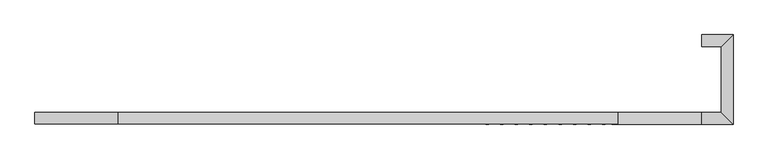
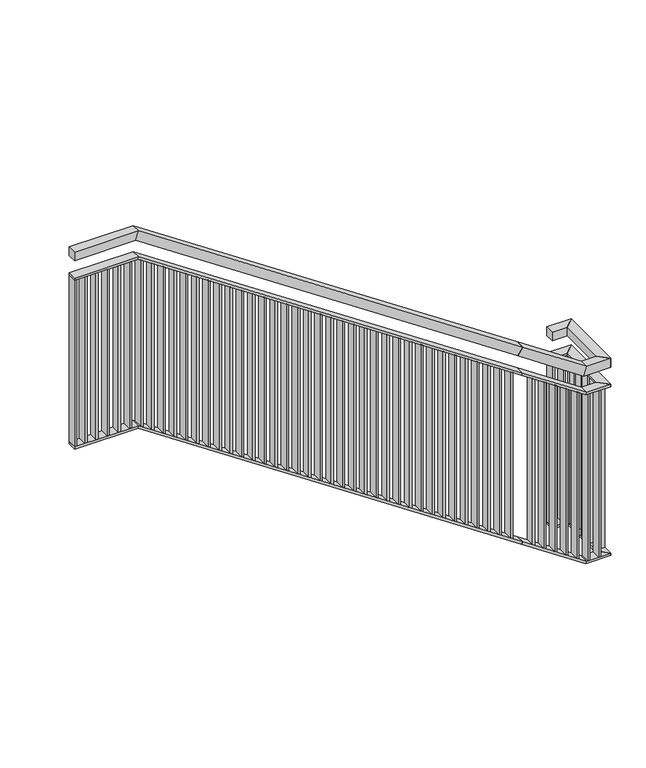
"""IFC4 building model written with IfcOpenShell, lengths in millimetres: railing geometry."""

from ifc_helpers import new_model, si_unit, frame, origin, place, context, project, spatial, polyline, outline, extrude, faceted_brep, source, transform, mapped, element, save


def railing_0f38c11d(model_context):
    return source(origin(), model_context, "Body", "SolidModel", [
        faceted_brep([(-837.5711368, -55941.2878855, 2687.5), (-837.5711368, -55901.2878855, 2687.5), (-837.5711368, -55901.2878855, 2647.5), (-837.5711368, -55941.2878855, 2647.5), (-772.1711368, -55941.2878855, 2687.5), (-772.1711368, -55941.2878855, 2647.5), (-732.1711368, -55901.2878855, 2647.5), (-732.1711368, -55901.2878855, 2687.5)], [[[0, 1, 2, 3]], [[4, 5, 6, 7]], [[1, 0, 4, 7]], [[2, 1, 7, 6]], [[3, 2, 6, 5]], [[0, 3, 5, 4]]]),
        faceted_brep([(-772.1711368, -55941.2878855, 2687.5), (-732.1711368, -55901.2878855, 2687.5), (-732.1711368, -55901.2878855, 2647.5), (-772.1711368, -55941.2878855, 2647.5), (-772.1711368, -56162.0878855, 2687.5), (-772.1711368, -56162.0878855, 2647.5), (-732.1711368, -56202.0878855, 2647.5), (-732.1711368, -56202.0878855, 2687.5)], [[[0, 1, 2, 3]], [[4, 5, 6, 7]], [[1, 0, 4, 7]], [[2, 1, 7, 6]], [[3, 2, 6, 5]], [[0, 3, 5, 4]]]),
        faceted_brep([(-772.1711368, -56162.0878855, 2687.5), (-732.1711368, -56202.0878855, 2687.5), (-732.1711368, -56202.0878855, 2647.5), (-772.1711368, -56162.0878855, 2647.5), (-837.5711368, -56162.0878855, 2687.5), (-837.5711368, -56202.0878855, 2687.5), (-849.727101, -56202.0878855, 2647.5), (-849.727101, -56162.0878855, 2647.5), (-1117.5711368, -56162.0878855, 2875.0), (-1139.827579, -56162.0878855, 2841.7637129), (-1139.827579, -56202.0878855, 2841.7637129), (-1117.5711368, -56202.0878855, 2875.0)], [[[0, 1, 2, 3]], [[1, 0, 4, 5]], [[2, 1, 5, 6]], [[3, 2, 6, 7]], [[0, 3, 7, 4]], [[8, 9, 10, 11]], [[5, 4, 8, 11]], [[6, 5, 11, 10]], [[7, 6, 10, 9]], [[4, 7, 9, 8]]]),
        faceted_brep([(-1117.5711368, -56162.0878855, 2875.0), (-1117.5711368, -56202.0878855, 2875.0), (-1139.827579, -56202.0878855, 2841.7637129), (-1139.827579, -56162.0878855, 2841.7637129), (-2797.5711368, -56162.0878855, 4000.0), (-2797.5711368, -56202.0878855, 4000.0), (-2809.727101, -56202.0878855, 3960.0), (-2809.727101, -56162.0878855, 3960.0), (-3077.5711368, -56162.0878855, 4000.0), (-3077.5711368, -56162.0878855, 3960.0), (-3077.5711368, -56202.0878855, 3960.0), (-3077.5711368, -56202.0878855, 4000.0)], [[[0, 1, 2, 3]], [[1, 0, 4, 5]], [[2, 1, 5, 6]], [[3, 2, 6, 7]], [[0, 3, 7, 4]], [[8, 9, 10, 11]], [[5, 4, 8, 11]], [[6, 5, 11, 10]], [[7, 6, 10, 9]], [[4, 7, 9, 8]]]),
        faceted_brep([(-837.5711368, -55941.2878855, 2567.5), (-837.5711368, -55901.2878855, 2567.5), (-837.5711368, -55901.2878855, 2557.5), (-837.5711368, -55941.2878855, 2557.5), (-772.1711368, -55941.2878855, 2567.5), (-772.1711368, -55941.2878855, 2557.5), (-732.1711368, -55901.2878855, 2557.5), (-732.1711368, -55901.2878855, 2567.5)], [[[0, 1, 2, 3]], [[4, 5, 6, 7]], [[1, 0, 4, 7]], [[2, 1, 7, 6]], [[3, 2, 6, 5]], [[0, 3, 5, 4]]]),
        faceted_brep([(-772.1711368, -55941.2878855, 2567.5), (-732.1711368, -55901.2878855, 2567.5), (-732.1711368, -55901.2878855, 2557.5), (-772.1711368, -55941.2878855, 2557.5), (-772.1711368, -56162.0878855, 2567.5), (-772.1711368, -56162.0878855, 2557.5), (-732.1711368, -56202.0878855, 2557.5), (-732.1711368, -56202.0878855, 2567.5)], [[[0, 1, 2, 3]], [[4, 5, 6, 7]], [[1, 0, 4, 7]], [[2, 1, 7, 6]], [[3, 2, 6, 5]], [[0, 3, 5, 4]]]),
        faceted_brep([(-772.1711368, -56162.0878855, 2567.5), (-732.1711368, -56202.0878855, 2567.5), (-732.1711368, -56202.0878855, 2557.5), (-772.1711368, -56162.0878855, 2557.5), (-837.5711368, -56162.0878855, 2567.5), (-837.5711368, -56202.0878855, 2567.5), (-840.6101278, -56202.0878855, 2557.5), (-840.6101278, -56162.0878855, 2557.5), (-1117.5711368, -56162.0878855, 2755.0), (-1123.1352473, -56162.0878855, 2746.6909282), (-1123.1352473, -56202.0878855, 2746.6909282), (-1117.5711368, -56202.0878855, 2755.0)], [[[0, 1, 2, 3]], [[1, 0, 4, 5]], [[2, 1, 5, 6]], [[3, 2, 6, 7]], [[0, 3, 7, 4]], [[8, 9, 10, 11]], [[5, 4, 8, 11]], [[6, 5, 11, 10]], [[7, 6, 10, 9]], [[4, 7, 9, 8]]]),
        faceted_brep([(-1117.5711368, -56162.0878855, 2755.0), (-1117.5711368, -56202.0878855, 2755.0), (-1123.1352473, -56202.0878855, 2746.6909282), (-1123.1352473, -56162.0878855, 2746.6909282), (-2797.5711368, -56162.0878855, 3880.0), (-2797.5711368, -56202.0878855, 3880.0), (-2800.6101278, -56202.0878855, 3870.0), (-2800.6101278, -56162.0878855, 3870.0), (-3077.5711368, -56162.0878855, 3880.0), (-3077.5711368, -56162.0878855, 3870.0), (-3077.5711368, -56202.0878855, 3870.0), (-3077.5711368, -56202.0878855, 3880.0)], [[[0, 1, 2, 3]], [[1, 0, 4, 5]], [[2, 1, 5, 6]], [[3, 2, 6, 7]], [[0, 3, 7, 4]], [[8, 9, 10, 11]], [[5, 4, 8, 11]], [[6, 5, 11, 10]], [[7, 6, 10, 9]], [[4, 7, 9, 8]]]),
        faceted_brep([(-837.5711368, -55941.2878855, 1787.5), (-837.5711368, -55901.2878855, 1787.5), (-837.5711368, -55901.2878855, 1777.5), (-837.5711368, -55941.2878855, 1777.5), (-772.1711368, -55941.2878855, 1787.5), (-772.1711368, -55941.2878855, 1777.5), (-732.1711368, -55901.2878855, 1777.5), (-732.1711368, -55901.2878855, 1787.5)], [[[0, 1, 2, 3]], [[4, 5, 6, 7]], [[1, 0, 4, 7]], [[2, 1, 7, 6]], [[3, 2, 6, 5]], [[0, 3, 5, 4]]]),
        faceted_brep([(-772.1711368, -55941.2878855, 1787.5), (-732.1711368, -55901.2878855, 1787.5), (-732.1711368, -55901.2878855, 1777.5), (-772.1711368, -55941.2878855, 1777.5), (-772.1711368, -56162.0878855, 1787.5), (-772.1711368, -56162.0878855, 1777.5), (-732.1711368, -56202.0878855, 1777.5), (-732.1711368, -56202.0878855, 1787.5)], [[[0, 1, 2, 3]], [[4, 5, 6, 7]], [[1, 0, 4, 7]], [[2, 1, 7, 6]], [[3, 2, 6, 5]], [[0, 3, 5, 4]]]),
        faceted_brep([(-772.1711368, -56162.0878855, 1787.5), (-732.1711368, -56202.0878855, 1787.5), (-732.1711368, -56202.0878855, 1777.5), (-772.1711368, -56162.0878855, 1777.5), (-837.5711368, -56162.0878855, 1787.5), (-837.5711368, -56202.0878855, 1787.5), (-840.6101278, -56202.0878855, 1777.5), (-840.6101278, -56162.0878855, 1777.5), (-1117.5711368, -56162.0878855, 1975.0), (-1123.1352473, -56162.0878855, 1966.6909282), (-1123.1352473, -56202.0878855, 1966.6909282), (-1117.5711368, -56202.0878855, 1975.0)], [[[0, 1, 2, 3]], [[1, 0, 4, 5]], [[2, 1, 5, 6]], [[3, 2, 6, 7]], [[0, 3, 7, 4]], [[8, 9, 10, 11]], [[5, 4, 8, 11]], [[6, 5, 11, 10]], [[7, 6, 10, 9]], [[4, 7, 9, 8]]]),
        faceted_brep([(-1117.5711368, -56162.0878855, 1975.0), (-1117.5711368, -56202.0878855, 1975.0), (-1123.1352473, -56202.0878855, 1966.6909282), (-1123.1352473, -56162.0878855, 1966.6909282), (-2797.5711368, -56162.0878855, 3100.0), (-2797.5711368, -56202.0878855, 3100.0), (-2800.6101278, -56202.0878855, 3090.0), (-2800.6101278, -56162.0878855, 3090.0), (-3077.5711368, -56162.0878855, 3100.0), (-3077.5711368, -56162.0878855, 3090.0), (-3077.5711368, -56202.0878855, 3090.0), (-3077.5711368, -56202.0878855, 3100.0)], [[[0, 1, 2, 3]], [[1, 0, 4, 5]], [[2, 1, 5, 6]], [[3, 2, 6, 7]], [[0, 3, 7, 4]], [[8, 9, 10, 11]], [[5, 4, 8, 11]], [[6, 5, 11, 10]], [[7, 6, 10, 9]], [[4, 7, 9, 8]]]),
        extrude(outline(polyline([(-3023.5711368, -56162.0878855), (-3023.5711368, -56202.0878855), (-3033.5711368, -56202.0878855), (-3033.5711368, -56162.0878855), (-3023.5711368, -56162.0878855)])), frame((0.0, 0.0, 3100.0), z_axis=(0.0, 0.0, 1.0), x_axis=(1.0, 0.0, 0.0)), (0.0, 0.0, 1.0), 770.0),
        extrude(outline(polyline([(-2974.5711368, -56162.0878855), (-2974.5711368, -56202.0878855), (-2984.5711368, -56202.0878855), (-2984.5711368, -56162.0878855), (-2974.5711368, -56162.0878855)])), frame((0.0, 0.0, 3100.0), z_axis=(0.0, 0.0, 1.0), x_axis=(1.0, 0.0, 0.0)), (0.0, 0.0, 1.0), 770.0),
        extrude(outline(polyline([(-2925.5711368, -56162.0878855), (-2925.5711368, -56202.0878855), (-2935.5711368, -56202.0878855), (-2935.5711368, -56162.0878855), (-2925.5711368, -56162.0878855)])), frame((0.0, 0.0, 3100.0), z_axis=(0.0, 0.0, 1.0), x_axis=(1.0, 0.0, 0.0)), (0.0, 0.0, 1.0), 770.0),
        extrude(outline(polyline([(-2876.5711368, -56162.0878855), (-2876.5711368, -56202.0878855), (-2886.5711368, -56202.0878855), (-2886.5711368, -56162.0878855), (-2876.5711368, -56162.0878855)])), frame((0.0, 0.0, 3100.0), z_axis=(0.0, 0.0, 1.0), x_axis=(1.0, 0.0, 0.0)), (0.0, 0.0, 1.0), 770.0),
        extrude(outline(polyline([(-2827.5711368, -56162.0878855), (-2827.5711368, -56202.0878855), (-2837.5711368, -56202.0878855), (-2837.5711368, -56162.0878855), (-2827.5711368, -56162.0878855)])), frame((0.0, 0.0, 3100.0), z_axis=(0.0, 0.0, 1.0), x_axis=(1.0, 0.0, 0.0)), (0.0, 0.0, 1.0), 770.0),
        extrude(outline(polyline([(3087.2767857, -2778.5711368), (3857.2767857, -2778.5711368), (3863.9732143, -2788.5711368), (3093.9732143, -2788.5711368), (3087.2767857, -2778.5711368)])), frame((0.0, -56202.0878855, 0.0), z_axis=(0.0, 1.0, 0.0), x_axis=(0.0, 0.0, 1.0)), (0.0, 0.0, 1.0), 40.0),
        extrude(outline(polyline([(3054.4642857, -2729.5711368), (3824.4642857, -2729.5711368), (3831.1607143, -2739.5711368), (3061.1607143, -2739.5711368), (3054.4642857, -2729.5711368)])), frame((0.0, -56202.0878855, 0.0), z_axis=(0.0, 1.0, 0.0), x_axis=(0.0, 0.0, 1.0)), (0.0, 0.0, 1.0), 40.0),
        extrude(outline(polyline([(3021.6517857, -2680.5711368), (3791.6517857, -2680.5711368), (3798.3482143, -2690.5711368), (3028.3482143, -2690.5711368), (3021.6517857, -2680.5711368)])), frame((0.0, -56202.0878855, 0.0), z_axis=(0.0, 1.0, 0.0), x_axis=(0.0, 0.0, 1.0)), (0.0, 0.0, 1.0), 40.0),
        extrude(outline(polyline([(2988.8392857, -2631.5711368), (3758.8392857, -2631.5711368), (3765.5357143, -2641.5711368), (2995.5357143, -2641.5711368), (2988.8392857, -2631.5711368)])), frame((0.0, -56202.0878855, 0.0), z_axis=(0.0, 1.0, 0.0), x_axis=(0.0, 0.0, 1.0)), (0.0, 0.0, 1.0), 40.0),
        extrude(outline(polyline([(2956.0267857, -2582.5711368), (3726.0267857, -2582.5711368), (3732.7232143, -2592.5711368), (2962.7232143, -2592.5711368), (2956.0267857, -2582.5711368)])), frame((0.0, -56202.0878855, 0.0), z_axis=(0.0, 1.0, 0.0), x_axis=(0.0, 0.0, 1.0)), (0.0, 0.0, 1.0), 40.0),
        extrude(outline(polyline([(2923.2142857, -2533.5711368), (3693.2142857, -2533.5711368), (3699.9107143, -2543.5711368), (2929.9107143, -2543.5711368), (2923.2142857, -2533.5711368)])), frame((0.0, -56202.0878855, 0.0), z_axis=(0.0, 1.0, 0.0), x_axis=(0.0, 0.0, 1.0)), (0.0, 0.0, 1.0), 40.0),
        extrude(outline(polyline([(2890.4017857, -2484.5711368), (3660.4017857, -2484.5711368), (3667.0982143, -2494.5711368), (2897.0982143, -2494.5711368), (2890.4017857, -2484.5711368)])), frame((0.0, -56202.0878855, 0.0), z_axis=(0.0, 1.0, 0.0), x_axis=(0.0, 0.0, 1.0)), (0.0, 0.0, 1.0), 40.0),
        extrude(outline(polyline([(2857.5892857, -2435.5711368), (3627.5892857, -2435.5711368), (3634.2857143, -2445.5711368), (2864.2857143, -2445.5711368), (2857.5892857, -2435.5711368)])), frame((0.0, -56202.0878855, 0.0), z_axis=(0.0, 1.0, 0.0), x_axis=(0.0, 0.0, 1.0)), (0.0, 0.0, 1.0), 40.0),
        extrude(outline(polyline([(2824.7767857, -2386.5711368), (3594.7767857, -2386.5711368), (3601.4732143, -2396.5711368), (2831.4732143, -2396.5711368), (2824.7767857, -2386.5711368)])), frame((0.0, -56202.0878855, 0.0), z_axis=(0.0, 1.0, 0.0), x_axis=(0.0, 0.0, 1.0)), (0.0, 0.0, 1.0), 40.0),
        extrude(outline(polyline([(2791.9642857, -2337.5711368), (3561.9642857, -2337.5711368), (3568.6607143, -2347.5711368), (2798.6607143, -2347.5711368), (2791.9642857, -2337.5711368)])), frame((0.0, -56202.0878855, 0.0), z_axis=(0.0, 1.0, 0.0), x_axis=(0.0, 0.0, 1.0)), (0.0, 0.0, 1.0), 40.0),
        extrude(outline(polyline([(2759.1517857, -2288.5711368), (3529.1517857, -2288.5711368), (3535.8482143, -2298.5711368), (2765.8482143, -2298.5711368), (2759.1517857, -2288.5711368)])), frame((0.0, -56202.0878855, 0.0), z_axis=(0.0, 1.0, 0.0), x_axis=(0.0, 0.0, 1.0)), (0.0, 0.0, 1.0), 40.0),
        extrude(outline(polyline([(2726.3392857, -2239.5711368), (3496.3392857, -2239.5711368), (3503.0357143, -2249.5711368), (2733.0357143, -2249.5711368), (2726.3392857, -2239.5711368)])), frame((0.0, -56202.0878855, 0.0), z_axis=(0.0, 1.0, 0.0), x_axis=(0.0, 0.0, 1.0)), (0.0, 0.0, 1.0), 40.0),
        extrude(outline(polyline([(2693.5267857, -2190.5711368), (3463.5267857, -2190.5711368), (3470.2232143, -2200.5711368), (2700.2232143, -2200.5711368), (2693.5267857, -2190.5711368)])), frame((0.0, -56202.0878855, 0.0), z_axis=(0.0, 1.0, 0.0), x_axis=(0.0, 0.0, 1.0)), (0.0, 0.0, 1.0), 40.0),
        extrude(outline(polyline([(2660.7142857, -2141.5711368), (3430.7142857, -2141.5711368), (3437.4107143, -2151.5711368), (2667.4107143, -2151.5711368), (2660.7142857, -2141.5711368)])), frame((0.0, -56202.0878855, 0.0), z_axis=(0.0, 1.0, 0.0), x_axis=(0.0, 0.0, 1.0)), (0.0, 0.0, 1.0), 40.0),
        extrude(outline(polyline([(2627.9017857, -2092.5711368), (3397.9017857, -2092.5711368), (3404.5982143, -2102.5711368), (2634.5982143, -2102.5711368), (2627.9017857, -2092.5711368)])), frame((0.0, -56202.0878855, 0.0), z_axis=(0.0, 1.0, 0.0), x_axis=(0.0, 0.0, 1.0)), (0.0, 0.0, 1.0), 40.0),
        extrude(outline(polyline([(2595.0892857, -2043.5711368), (3365.0892857, -2043.5711368), (3371.7857143, -2053.5711368), (2601.7857143, -2053.5711368), (2595.0892857, -2043.5711368)])), frame((0.0, -56202.0878855, 0.0), z_axis=(0.0, 1.0, 0.0), x_axis=(0.0, 0.0, 1.0)), (0.0, 0.0, 1.0), 40.0),
        extrude(outline(polyline([(2562.2767857, -1994.5711368), (3332.2767857, -1994.5711368), (3338.9732143, -2004.5711368), (2568.9732143, -2004.5711368), (2562.2767857, -1994.5711368)])), frame((0.0, -56202.0878855, 0.0), z_axis=(0.0, 1.0, 0.0), x_axis=(0.0, 0.0, 1.0)), (0.0, 0.0, 1.0), 40.0),
        extrude(outline(polyline([(2529.4642857, -1945.5711368), (3299.4642857, -1945.5711368), (3306.1607143, -1955.5711368), (2536.1607143, -1955.5711368), (2529.4642857, -1945.5711368)])), frame((0.0, -56202.0878855, 0.0), z_axis=(0.0, 1.0, 0.0), x_axis=(0.0, 0.0, 1.0)), (0.0, 0.0, 1.0), 40.0),
        extrude(outline(polyline([(2496.6517857, -1896.5711368), (3266.6517857, -1896.5711368), (3273.3482143, -1906.5711368), (2503.3482143, -1906.5711368), (2496.6517857, -1896.5711368)])), frame((0.0, -56202.0878855, 0.0), z_axis=(0.0, 1.0, 0.0), x_axis=(0.0, 0.0, 1.0)), (0.0, 0.0, 1.0), 40.0),
        extrude(outline(polyline([(2463.8392857, -1847.5711368), (3233.8392857, -1847.5711368), (3240.5357143, -1857.5711368), (2470.5357143, -1857.5711368), (2463.8392857, -1847.5711368)])), frame((0.0, -56202.0878855, 0.0), z_axis=(0.0, 1.0, 0.0), x_axis=(0.0, 0.0, 1.0)), (0.0, 0.0, 1.0), 40.0),
        extrude(outline(polyline([(2431.0267857, -1798.5711368), (3201.0267857, -1798.5711368), (3207.7232143, -1808.5711368), (2437.7232143, -1808.5711368), (2431.0267857, -1798.5711368)])), frame((0.0, -56202.0878855, 0.0), z_axis=(0.0, 1.0, 0.0), x_axis=(0.0, 0.0, 1.0)), (0.0, 0.0, 1.0), 40.0),
        extrude(outline(polyline([(2398.2142857, -1749.5711368), (3168.2142857, -1749.5711368), (3174.9107143, -1759.5711368), (2404.9107143, -1759.5711368), (2398.2142857, -1749.5711368)])), frame((0.0, -56202.0878855, 0.0), z_axis=(0.0, 1.0, 0.0), x_axis=(0.0, 0.0, 1.0)), (0.0, 0.0, 1.0), 40.0),
        extrude(outline(polyline([(2365.4017857, -1700.5711368), (3135.4017857, -1700.5711368), (3142.0982143, -1710.5711368), (2372.0982143, -1710.5711368), (2365.4017857, -1700.5711368)])), frame((0.0, -56202.0878855, 0.0), z_axis=(0.0, 1.0, 0.0), x_axis=(0.0, 0.0, 1.0)), (0.0, 0.0, 1.0), 40.0),
        extrude(outline(polyline([(2332.5892857, -1651.5711368), (3102.5892857, -1651.5711368), (3109.2857143, -1661.5711368), (2339.2857143, -1661.5711368), (2332.5892857, -1651.5711368)])), frame((0.0, -56202.0878855, 0.0), z_axis=(0.0, 1.0, 0.0), x_axis=(0.0, 0.0, 1.0)), (0.0, 0.0, 1.0), 40.0),
        extrude(outline(polyline([(2299.7767857, -1602.5711368), (3069.7767857, -1602.5711368), (3076.4732143, -1612.5711368), (2306.4732143, -1612.5711368), (2299.7767857, -1602.5711368)])), frame((0.0, -56202.0878855, 0.0), z_axis=(0.0, 1.0, 0.0), x_axis=(0.0, 0.0, 1.0)), (0.0, 0.0, 1.0), 40.0),
        extrude(outline(polyline([(2266.9642857, -1553.5711368), (3036.9642857, -1553.5711368), (3043.6607143, -1563.5711368), (2273.6607143, -1563.5711368), (2266.9642857, -1553.5711368)])), frame((0.0, -56202.0878855, 0.0), z_axis=(0.0, 1.0, 0.0), x_axis=(0.0, 0.0, 1.0)), (0.0, 0.0, 1.0), 40.0),
        extrude(outline(polyline([(2234.1517857, -1504.5711368), (3004.1517857, -1504.5711368), (3010.8482143, -1514.5711368), (2240.8482143, -1514.5711368), (2234.1517857, -1504.5711368)])), frame((0.0, -56202.0878855, 0.0), z_axis=(0.0, 1.0, 0.0), x_axis=(0.0, 0.0, 1.0)), (0.0, 0.0, 1.0), 40.0),
        extrude(outline(polyline([(2201.3392857, -1455.5711368), (2971.3392857, -1455.5711368), (2978.0357143, -1465.5711368), (2208.0357143, -1465.5711368), (2201.3392857, -1455.5711368)])), frame((0.0, -56202.0878855, 0.0), z_axis=(0.0, 1.0, 0.0), x_axis=(0.0, 0.0, 1.0)), (0.0, 0.0, 1.0), 40.0),
        extrude(outline(polyline([(2168.5267857, -1406.5711368), (2938.5267857, -1406.5711368), (2945.2232143, -1416.5711368), (2175.2232143, -1416.5711368), (2168.5267857, -1406.5711368)])), frame((0.0, -56202.0878855, 0.0), z_axis=(0.0, 1.0, 0.0), x_axis=(0.0, 0.0, 1.0)), (0.0, 0.0, 1.0), 40.0),
        extrude(outline(polyline([(2135.7142857, -1357.5711368), (2905.7142857, -1357.5711368), (2912.4107143, -1367.5711368), (2142.4107143, -1367.5711368), (2135.7142857, -1357.5711368)])), frame((0.0, -56202.0878855, 0.0), z_axis=(0.0, 1.0, 0.0), x_axis=(0.0, 0.0, 1.0)), (0.0, 0.0, 1.0), 40.0),
        extrude(outline(polyline([(2102.9017857, -1308.5711368), (2872.9017857, -1308.5711368), (2879.5982143, -1318.5711368), (2109.5982143, -1318.5711368), (2102.9017857, -1308.5711368)])), frame((0.0, -56202.0878855, 0.0), z_axis=(0.0, 1.0, 0.0), x_axis=(0.0, 0.0, 1.0)), (0.0, 0.0, 1.0), 40.0),
        extrude(outline(polyline([(2070.0892857, -1259.5711368), (2840.0892857, -1259.5711368), (2846.7857143, -1269.5711368), (2076.7857143, -1269.5711368), (2070.0892857, -1259.5711368)])), frame((0.0, -56202.0878855, 0.0), z_axis=(0.0, 1.0, 0.0), x_axis=(0.0, 0.0, 1.0)), (0.0, 0.0, 1.0), 40.0),
        extrude(outline(polyline([(2037.2767857, -1210.5711368), (2807.2767857, -1210.5711368), (2813.9732143, -1220.5711368), (2043.9732143, -1220.5711368), (2037.2767857, -1210.5711368)])), frame((0.0, -56202.0878855, 0.0), z_axis=(0.0, 1.0, 0.0), x_axis=(0.0, 0.0, 1.0)), (0.0, 0.0, 1.0), 40.0),
        extrude(outline(polyline([(2004.4642857, -1161.5711368), (2774.4642857, -1161.5711368), (2781.1607143, -1171.5711368), (2011.1607143, -1171.5711368), (2004.4642857, -1161.5711368)])), frame((0.0, -56202.0878855, 0.0), z_axis=(0.0, 1.0, 0.0), x_axis=(0.0, 0.0, 1.0)), (0.0, 0.0, 1.0), 40.0),
        extrude(outline(polyline([(1939.3917411, -1064.3961368), (2709.3917411, -1064.3961368), (2716.0881696, -1074.3961368), (1946.0881696, -1074.3961368), (1939.3917411, -1064.3961368)])), frame((0.0, -56202.0878855, 0.0), z_axis=(0.0, 1.0, 0.0), x_axis=(0.0, 0.0, 1.0)), (0.0, 0.0, 1.0), 40.0),
        extrude(outline(polyline([(1907.1316964, -1016.2211368), (2677.1316964, -1016.2211368), (2683.828125, -1026.2211368), (1913.828125, -1026.2211368), (1907.1316964, -1016.2211368)])), frame((0.0, -56202.0878855, 0.0), z_axis=(0.0, 1.0, 0.0), x_axis=(0.0, 0.0, 1.0)), (0.0, 0.0, 1.0), 40.0),
        extrude(outline(polyline([(1874.8716518, -968.0461368), (2644.8716518, -968.0461368), (2651.5680804, -978.0461368), (1881.5680804, -978.0461368), (1874.8716518, -968.0461368)])), frame((0.0, -56202.0878855, 0.0), z_axis=(0.0, 1.0, 0.0), x_axis=(0.0, 0.0, 1.0)), (0.0, 0.0, 1.0), 40.0),
        extrude(outline(polyline([(1842.6116071, -919.8711368), (2612.6116071, -919.8711368), (2619.3080357, -929.8711368), (1849.3080357, -929.8711368), (1842.6116071, -919.8711368)])), frame((0.0, -56202.0878855, 0.0), z_axis=(0.0, 1.0, 0.0), x_axis=(0.0, 0.0, 1.0)), (0.0, 0.0, 1.0), 40.0),
        extrude(outline(polyline([(1810.3515625, -871.6961368), (2580.3515625, -871.6961368), (2587.0479911, -881.6961368), (1817.0479911, -881.6961368), (1810.3515625, -871.6961368)])), frame((0.0, -56202.0878855, 0.0), z_axis=(0.0, 1.0, 0.0), x_axis=(0.0, 0.0, 1.0)), (0.0, 0.0, 1.0), 40.0),
        extrude(outline(polyline([(-823.5211368, -56162.0878855), (-823.5211368, -56202.0878855), (-833.5211368, -56202.0878855), (-833.5211368, -56162.0878855), (-823.5211368, -56162.0878855)])), frame((0.0, 0.0, 1787.5), z_axis=(0.0, 0.0, 1.0), x_axis=(1.0, 0.0, 0.0)), (0.0, 0.0, 1.0), 770.0),
        extrude(outline(polyline([(-775.3461368, -56162.0878855), (-775.3461368, -56202.0878855), (-785.3461368, -56202.0878855), (-785.3461368, -56162.0878855), (-775.3461368, -56162.0878855)])), frame((0.0, 0.0, 1787.5), z_axis=(0.0, 0.0, 1.0), x_axis=(1.0, 0.0, 0.0)), (0.0, 0.0, 1.0), 770.0),
        extrude(outline(polyline([(-772.1711368, -56146.9545522), (-732.1711368, -56146.9545522), (-732.1711368, -56156.9545522), (-772.1711368, -56156.9545522), (-772.1711368, -56146.9545522)])), frame((0.0, 0.0, 1787.5), z_axis=(0.0, 0.0, 1.0), x_axis=(1.0, 0.0, 0.0)), (0.0, 0.0, 1.0), 770.0),
        extrude(outline(polyline([(-772.1711368, -56096.8212189), (-732.1711368, -56096.8212189), (-732.1711368, -56106.8212189), (-772.1711368, -56106.8212189), (-772.1711368, -56096.8212189)])), frame((0.0, 0.0, 1787.5), z_axis=(0.0, 0.0, 1.0), x_axis=(1.0, 0.0, 0.0)), (0.0, 0.0, 1.0), 770.0),
        extrude(outline(polyline([(-772.1711368, -56046.6878855), (-732.1711368, -56046.6878855), (-732.1711368, -56056.6878855), (-772.1711368, -56056.6878855), (-772.1711368, -56046.6878855)])), frame((0.0, 0.0, 1787.5), z_axis=(0.0, 0.0, 1.0), x_axis=(1.0, 0.0, 0.0)), (0.0, 0.0, 1.0), 770.0),
        extrude(outline(polyline([(-772.1711368, -55996.5545522), (-732.1711368, -55996.5545522), (-732.1711368, -56006.5545522), (-772.1711368, -56006.5545522), (-772.1711368, -55996.5545522)])), frame((0.0, 0.0, 1787.5), z_axis=(0.0, 0.0, 1.0), x_axis=(1.0, 0.0, 0.0)), (0.0, 0.0, 1.0), 770.0),
        extrude(outline(polyline([(-772.1711368, -55946.4212189), (-732.1711368, -55946.4212189), (-732.1711368, -55956.4212189), (-772.1711368, -55956.4212189), (-772.1711368, -55946.4212189)])), frame((0.0, 0.0, 1787.5), z_axis=(0.0, 0.0, 1.0), x_axis=(1.0, 0.0, 0.0)), (0.0, 0.0, 1.0), 770.0),
        extrude(outline(polyline([(-789.8711368, -55941.2878855), (-789.8711368, -55901.2878855), (-779.8711368, -55901.2878855), (-779.8711368, -55941.2878855), (-789.8711368, -55941.2878855)])), frame((0.0, 0.0, 1787.5), z_axis=(0.0, 0.0, 1.0), x_axis=(1.0, 0.0, 0.0)), (0.0, 0.0, 1.0), 770.0),
        extrude(outline(polyline([(-3067.5711368, -56162.0878855), (-3067.5711368, -56202.0878855), (-3077.5711368, -56202.0878855), (-3077.5711368, -56162.0878855), (-3067.5711368, -56162.0878855)])), frame((0.0, 0.0, 3100.0), z_axis=(0.0, 0.0, 1.0), x_axis=(1.0, 0.0, 0.0)), (0.0, 0.0, 1.0), 770.0),
        extrude(outline(polyline([(-837.5711368, -55941.2878855), (-837.5711368, -55901.2878855), (-827.5711368, -55901.2878855), (-827.5711368, -55941.2878855), (-837.5711368, -55941.2878855)])), frame((0.0, 0.0, 1787.5), z_axis=(0.0, 0.0, 1.0), x_axis=(1.0, 0.0, 0.0)), (0.0, 0.0, 1.0), 770.0),
    ])


if __name__ == "__main__":
    model = new_model("IFC4")
    model_context = context("Model", 3, world=origin())
    ifc_project = project(units=[si_unit("LENGTHUNIT", "METRE", prefix="MILLI")], contexts=[model_context])
    site = spatial("IfcSite", under=ifc_project)
    building = spatial("IfcBuilding", under=site)
    placement = place(None, origin())
    railing_shape = railing_0f38c11d(model_context)
    element("IfcRailing", 1, at=placement, inside=building, context=model_context, shape_type="MappedRepresentation", body=[
        mapped(railing_shape, transform((0.0, 0.0, 0.0), x_axis=(1.0, 0.0, 0.0), y_axis=(0.0, 1.0, 0.0), z_axis=(0.0, 0.0, 1.0))),
    ])
    save(model, "model.ifc")
